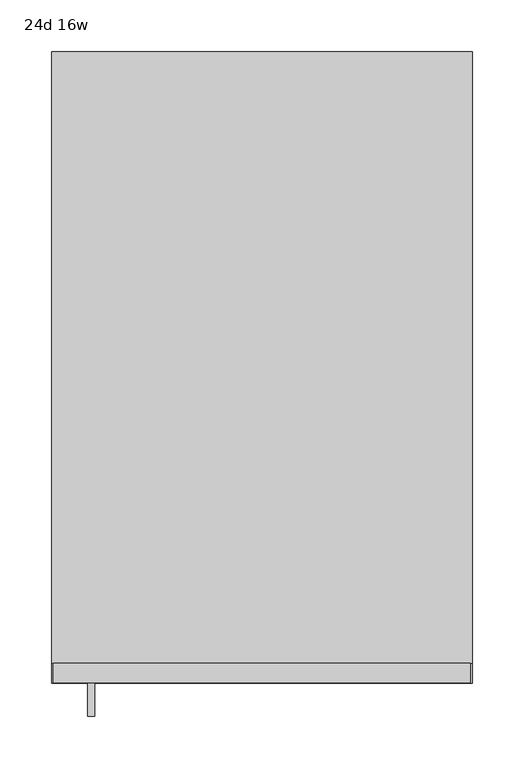
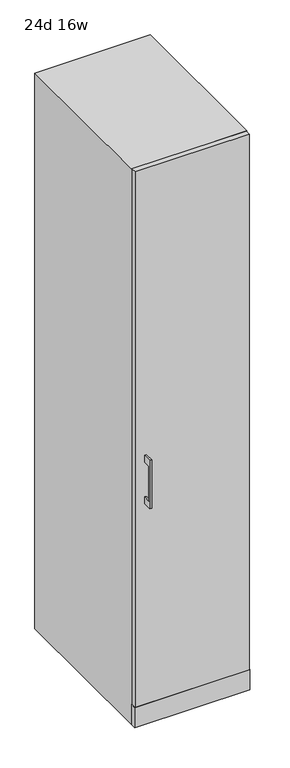
"""IFC4 building model written with IfcOpenShell, lengths in millimetres: furniture geometry, 24d 16w."""

from ifc_helpers import new_model, si_unit, frame, origin, origin_with_axes, place, context, project, spatial, polyline, outline, extrude, faceted_brep, source, transform, mapped, element, save


def furniture_24d_16w_6137fee2(model_context):
    return source(origin(), model_context, "Body", "SolidModel", [
        extrude(outline(polyline([(-381.0849755, 979.4875), (-406.4849513, 979.4875), (-406.4849513, 849.3125), (-381.0849755, 849.3125), (-381.0849755, 823.9125), (-412.8349634, 823.9125), (-412.8349634, 1004.8875), (-381.0849755, 1004.8875), (-381.0849755, 979.4875)])), frame((-262.0422913, 0.0, 0.0), z_axis=(1.0, 0.0, 0.0), x_axis=(0.0, 1.0, 0.0)), (0.0, 0.0, 1.0), 6.35),
        extrude(outline(polyline([(107.8452087, -381.0849755), (-295.3797913, -381.0849755), (-295.3797913, -362.0349755), (107.8452087, -362.0349755), (107.8452087, -381.0849755)])), frame((0.0, 0.0, 76.2), z_axis=(0.0, 0.0, 1.0), x_axis=(1.0, 0.0, 0.0)), (0.0, 0.0, 1.0), 1997.075),
        extrude(outline(polyline([(109.4327087, -381.0849755), (-296.9672913, -381.0849755), (-296.9672913, -362.0349755), (109.4327087, -362.0349755), (109.4327087, -381.0849755)])), origin_with_axes(), (0.0, 0.0, 1.0), 76.2),
        faceted_brep([(109.4327087, 228.5150245, 2073.275), (-296.9672913, 228.5150245, 2073.275), (-296.9672913, -362.0349755, 2073.275), (109.4327087, -362.0349755, 2073.275), (109.4327087, -362.0349755, 0.0), (-296.9672913, -362.0349755, 0.0), (-296.9672913, 228.5150245, 0.0), (109.4327087, 228.5150245, 0.0), (90.3827087, 209.4650245, 76.2), (90.3827087, 209.4650245, 2054.225), (-277.9172913, 209.4650245, 2054.225), (-277.9172913, 209.4650245, 76.2), (90.3827087, -362.0349755, 2054.225), (90.3827087, -362.0349755, 76.2), (-277.9172913, -362.0349755, 76.2), (-277.9172913, -362.0349755, 2054.225)], [[[0, 1, 2, 3]], [[4, 5, 6, 7]], [[1, 0, 7, 6]], [[2, 1, 6, 5]], [[8, 9, 10, 11]], [[0, 3, 4, 7]], [[3, 2, 5, 4], [12, 13, 14, 15]], [[13, 12, 9, 8]], [[14, 13, 8, 11]], [[15, 14, 11, 10]], [[12, 15, 10, 9]]]),
        extrude(outline(polyline([(109.4327087, 209.4650245), (109.4327087, -362.0349755), (90.3827087, -362.0349755), (90.3827087, 209.4650245), (109.4327087, 209.4650245)])), frame((0.0, 0.0, 76.2), z_axis=(0.0, 0.0, 1.0), x_axis=(1.0, 0.0, 0.0)), (0.0, 0.0, 1.0), 1978.025),
    ])


if __name__ == "__main__":
    model = new_model("IFC4")
    model_context = context("Model", 3, world=origin())
    ifc_project = project(units=[si_unit("LENGTHUNIT", "METRE", prefix="MILLI")], contexts=[model_context])
    site = spatial("IfcSite", under=ifc_project)
    building = spatial("IfcBuilding", under=site)
    placement = place(None, origin())
    furniture_24d_16w_shape = furniture_24d_16w_6137fee2(model_context)
    element("IfcFurniture", 1, ObjectType="24d 16w", at=placement, inside=building, context=model_context, shape_type="MappedRepresentation", body=[
        mapped(furniture_24d_16w_shape, transform((0.0, 0.0, 0.0), x_axis=(1.0, 0.0, 0.0), y_axis=(0.0, 1.0, 0.0), z_axis=(0.0, 0.0, 1.0))),
    ])
    save(model, "model.ifc")
